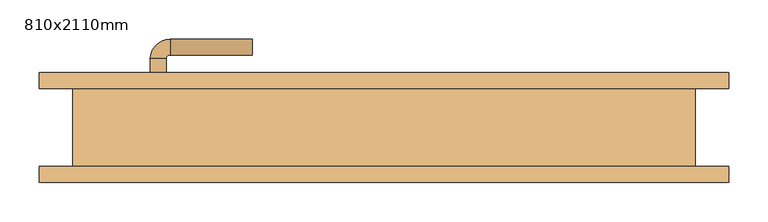
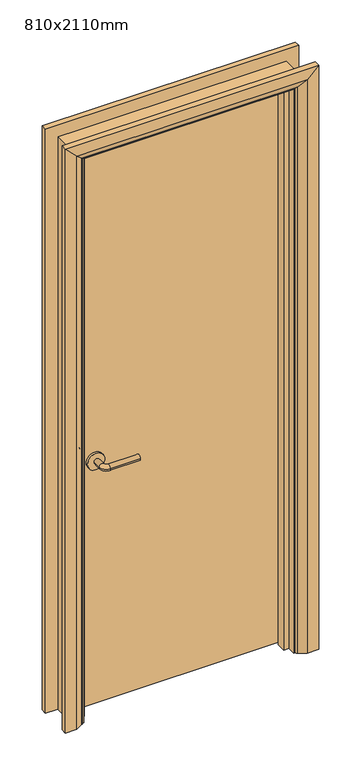
"""IFC4 building model written with IfcOpenShell, lengths in millimetres: door geometry, 810x2110mm."""

from ifc_helpers import new_model, si_unit, point, frame, frame_2d, origin, place, context, project, spatial, polyline, circle_curve, ellipse_curve, trimmed, segment, composite_curve, outline, extrude, faceted_brep, source, transform, mapped, element, save
from ifc_brep_helpers import plane_surface, cylinder_surface, revolved_surface, advanced_brep


def door_810x2110mm_2ff58b63(model_context):
    return source(origin(), model_context, "Body", "SolidModel", [
        advanced_brep(
        [(-298.0, 4.0, 900.0), (-278.0, 4.0, 900.0), (-278.0, -26.0, 900.0), (-298.0, -26.0, 900.0), (-273.0, -31.0, 900.0), (-273.0, -51.0, 900.0), (-168.0, -51.0, 900.0), (-168.0, -31.0, 900.0)],
        [
            (0, 1, circle_curve(frame((-288.0, 4.0, 900.0), z_axis=(0.0, 1.0, 0.0), x_axis=(1.0, 0.0, 0.0)), 10.0)),
            (1, 0, circle_curve(frame((-288.0, 4.0, 900.0), z_axis=(0.0, 1.0, 0.0), x_axis=(1.0, 0.0, 0.0)), 10.0)),
            (1, 2),
            (2, 3, circle_curve(frame((-288.0, -26.0, 900.0), z_axis=(0.0, 1.0, 0.0), x_axis=(1.0, 0.0, 0.0)), 10.0)),
            (3, 0),
            (3, 2, circle_curve(frame((-288.0, -26.0, 900.0), z_axis=(0.0, 1.0, 0.0), x_axis=(1.0, 0.0, 0.0)), 10.0)),
            (4, 5, circle_curve(frame((-273.0, -41.0, 900.0), z_axis=(-1.0, 0.0, 0.0), x_axis=(0.0, 1.0, 0.0)), 10.0)),
            (5, 3, circle_curve(frame((-273.0, -26.0, 900.0), z_axis=(0.0, 0.0, -1.0), x_axis=(-1.0, 0.0, 0.0)), 25.0)),
            (2, 4, circle_curve(frame((-273.0, -26.0, 900.0), z_axis=(0.0, 0.0, 1.0), x_axis=(-1.0, 0.0, 0.0)), 5.0)),
            (5, 4, circle_curve(frame((-273.0, -41.0, 900.0), z_axis=(-1.0, 0.0, 0.0), x_axis=(0.0, 1.0, 0.0)), 10.0)),
            (6, 7, circle_curve(frame((-168.0, -41.0, 900.0), z_axis=(1.0, 0.0, 0.0), x_axis=(0.0, 1.0, 0.0)), 10.0)),
            (7, 6, circle_curve(frame((-168.0, -41.0, 900.0), z_axis=(1.0, 0.0, 0.0), x_axis=(0.0, 1.0, 0.0)), 10.0)),
            (4, 7),
            (6, 5),
        ],
        [
            plane_surface(frame((-288.0, 4.0, 900.0), z_axis=(0.0, 1.0, 0.0), x_axis=(0.0, 0.0, 1.0))),
            cylinder_surface(frame((-288.0, 4.0, 900.0), z_axis=(0.0, 1.0, 0.0), x_axis=(1.0, 0.0, 0.0)), 10.0),
            revolved_surface(trimmed(ellipse_curve(frame((-288.0, -26.0, 900.0), z_axis=(0.0, -1.0, 0.0), x_axis=(1.0, 0.0, 0.0)), 10.0, 10.0), [point((-298.0, -26.0, 900.0))], [point((-278.0, -26.0, 900.0))], True, "CARTESIAN"), (-273.0, -26.0, 900.0), (0.0, 0.0, -1.0)),
            revolved_surface(trimmed(ellipse_curve(frame((-288.0, -26.0, 900.0), z_axis=(0.0, -1.0, 0.0), x_axis=(1.0, 0.0, 0.0)), 10.0, 10.0), [point((-278.0, -26.0, 900.0))], [point((-298.0, -26.0, 900.0))], True, "CARTESIAN"), (-273.0, -26.0, 900.0), (0.0, 0.0, -1.0)),
            plane_surface(frame((-168.0, -41.0, 900.0), z_axis=(1.0, 0.0, 0.0), x_axis=(0.0, 0.0, 1.0))),
            cylinder_surface(frame((-273.0, -41.0, 900.0), z_axis=(-1.0, 0.0, 0.0), x_axis=(0.0, 1.0, 0.0)), 10.0),
        ],
        [
            (0, [[1, 2]]),
            (1, [[3, 4, 5, -2]]),
            (1, [[-5, 6, -3, -1]]),
            (2, [[7, 8, -4, 9]]),
            (3, [[10, -9, -6, -8]]),
            (4, [[11, 12]]),
            (5, [[13, -11, 14, -7]]),
            (5, [[-14, -12, -13, -10]]),
        ],
    ),
        extrude(outline(composite_curve([segment(trimmed(circle_curve(frame_2d((900.0, -290.5)), 30.0), [point((900.0, -320.5))], [point((900.0, -260.5))], False, "CARTESIAN"), True, "CONTINUOUS"), segment(trimmed(circle_curve(frame_2d((900.0, -290.5)), 30.0), [point((900.0, -260.5))], [point((900.0, -320.5))], False, "CARTESIAN"), True, "CONTINUOUS")], self_intersect=False)), frame((0.0, 4.0, 0.0), z_axis=(0.0, 1.0, 0.0), x_axis=(0.0, 0.0, 1.0)), (0.0, 0.0, 1.0), 8.0),
        advanced_brep(
        [(-298.0, 58.0, 900.0), (-278.0, 58.0, 900.0), (-298.0, 88.0, 900.0), (-278.0, 88.0, 900.0), (-273.0, 93.0, 900.0), (-273.0, 113.0, 900.0), (-168.0, 113.0, 900.0), (-168.0, 93.0, 900.0)],
        [
            (0, 1, circle_curve(frame((-288.0, 58.0, 900.0), z_axis=(0.0, -1.0, 0.0), x_axis=(1.0, 0.0, 0.0)), 10.0)),
            (1, 0, circle_curve(frame((-288.0, 58.0, 900.0), z_axis=(0.0, -1.0, 0.0), x_axis=(1.0, 0.0, 0.0)), 10.0)),
            (0, 2),
            (2, 3, circle_curve(frame((-288.0, 88.0, 900.0), z_axis=(0.0, -1.0, 0.0), x_axis=(1.0, 0.0, 0.0)), 10.0)),
            (3, 1),
            (3, 2, circle_curve(frame((-288.0, 88.0, 900.0), z_axis=(0.0, -1.0, 0.0), x_axis=(1.0, 0.0, 0.0)), 10.0)),
            (4, 3, circle_curve(frame((-273.0, 88.0, 900.0), z_axis=(0.0, 0.0, 1.0), x_axis=(-1.0, 0.0, 0.0)), 5.0)),
            (2, 5, circle_curve(frame((-273.0, 88.0, 900.0), z_axis=(0.0, 0.0, -1.0), x_axis=(-1.0, 0.0, 0.0)), 25.0)),
            (5, 4, circle_curve(frame((-273.0, 103.0, 900.0), z_axis=(-1.0, 0.0, 0.0), x_axis=(0.0, -1.0, 0.0)), 10.0)),
            (4, 5, circle_curve(frame((-273.0, 103.0, 900.0), z_axis=(-1.0, 0.0, 0.0), x_axis=(0.0, -1.0, 0.0)), 10.0)),
            (6, 7, circle_curve(frame((-168.0, 103.0, 900.0), z_axis=(1.0, 0.0, 0.0), x_axis=(0.0, -1.0, 0.0)), 10.0)),
            (7, 6, circle_curve(frame((-168.0, 103.0, 900.0), z_axis=(1.0, 0.0, 0.0), x_axis=(0.0, -1.0, 0.0)), 10.0)),
            (5, 6),
            (7, 4),
        ],
        [
            plane_surface(frame((-288.0, 58.0, 900.0), z_axis=(0.0, -1.0, 0.0), x_axis=(0.0, 0.0, 1.0))),
            cylinder_surface(frame((-288.0, 58.0, 900.0), z_axis=(0.0, -1.0, 0.0), x_axis=(1.0, 0.0, 0.0)), 10.0),
            revolved_surface(trimmed(ellipse_curve(frame((-288.0, 88.0, 900.0), z_axis=(0.0, -1.0, 0.0), x_axis=(1.0, 0.0, 0.0)), 10.0, 10.0), [point((-298.0, 88.0, 900.0))], [point((-278.0, 88.0, 900.0))], True, "CARTESIAN"), (-273.0, 88.0, 900.0), (0.0, 0.0, -1.0)),
            revolved_surface(trimmed(ellipse_curve(frame((-288.0, 88.0, 900.0), z_axis=(0.0, -1.0, 0.0), x_axis=(1.0, 0.0, 0.0)), 10.0, 10.0), [point((-278.0, 88.0, 900.0))], [point((-298.0, 88.0, 900.0))], True, "CARTESIAN"), (-273.0, 88.0, 900.0), (0.0, 0.0, -1.0)),
            plane_surface(frame((-168.0, 103.0, 900.0), z_axis=(1.0, 0.0, 0.0), x_axis=(0.0, 0.0, 1.0))),
            cylinder_surface(frame((-273.0, 103.0, 900.0), z_axis=(-1.0, 0.0, 0.0), x_axis=(0.0, -1.0, 0.0)), 10.0),
        ],
        [
            (0, [[1, 2]]),
            (1, [[-1, 3, 4, 5]]),
            (1, [[-2, -5, 6, -3]]),
            (2, [[7, -4, 8, 9]]),
            (3, [[-8, -6, -7, 10]]),
            (4, [[11, 12]]),
            (5, [[-9, 13, -12, 14]]),
            (5, [[-10, -14, -11, -13]]),
        ],
    ),
        extrude(outline(composite_curve([segment(trimmed(circle_curve(frame_2d((900.0, -290.5)), 30.0), [point((900.0, -320.5))], [point((900.0, -260.5))], False, "CARTESIAN"), True, "CONTINUOUS"), segment(trimmed(circle_curve(frame_2d((900.0, -290.5)), 30.0), [point((900.0, -260.5))], [point((900.0, -320.5))], False, "CARTESIAN"), True, "CONTINUOUS")], self_intersect=False)), frame((0.0, 50.0, 0.0), z_axis=(0.0, 1.0, 0.0), x_axis=(0.0, 0.0, 1.0)), (0.0, 0.0, 1.0), 8.0),
        extrude(outline(polyline([(363.0, 12.0), (-363.0, 12.0), (-363.0, 50.0), (363.0, 50.0), (363.0, 12.0)])), frame((0.0, 0.0, 8.0), z_axis=(0.0, 0.0, 1.0), x_axis=(1.0, 0.0, 0.0)), (0.0, 0.0, 1.0), 2060.0),
        advanced_brep(
        [(440.0, 70.0, 0.0), (440.0, 50.0, 0.0), (370.0, 50.0, 0.0), (374.0, 56.0, 0.0), (400.0, 70.0, 0.0), (440.0, 70.0, 2145.0), (440.0, 50.0, 2145.0), (-440.0, 50.0, 2145.0), (-440.0, 50.0, 0.0), (-370.0, 50.0, 0.0), (-370.0, 50.0, 2075.0), (370.0, 50.0, 2075.0), (374.0, 56.0, 2079.0), (400.0, 70.0, 2105.0), (-400.0, 70.0, 2105.0), (-400.0, 70.0, 0.0), (-440.0, 70.0, 0.0), (-440.0, 70.0, 2145.0), (-374.0, 56.0, 2079.0), (-374.0, 56.0, 0.0)],
        [
            (0, 1),
            (1, 2),
            (2, 3, circle_curve(frame((378.0, 49.0, 0.0), z_axis=(0.0, 0.0, -1.0), x_axis=(1.0, 0.0, 0.0)), 8.0622577)),
            (3, 4),
            (4, 0),
            (0, 5),
            (5, 6),
            (6, 1),
            (6, 7),
            (7, 8),
            (8, 9),
            (9, 10),
            (10, 11),
            (11, 2),
            (11, 12, ellipse_curve(frame((378.0, 49.0, 2083.0), z_axis=(0.7071067811865475, 0.0, -0.7071067811865475), x_axis=(-0.7071067811865474, 0.0, -0.7071067811865476)), 11.4017543, 8.0622577)),
            (12, 3),
            (12, 13),
            (13, 4),
            (13, 14),
            (14, 15),
            (15, 16),
            (16, 17),
            (17, 5),
            (17, 7),
            (10, 18, ellipse_curve(frame((-378.0, 49.0, 2083.0), z_axis=(0.7071067811865475, 0.0, 0.7071067811865475), x_axis=(0.7071067811865476, 0.0, -0.7071067811865474)), 11.4017543, 8.0622577)),
            (18, 12),
            (18, 14),
            (15, 19),
            (19, 9, circle_curve(frame((-378.0, 49.0, 0.0), z_axis=(0.0, 0.0, -1.0), x_axis=(-1.0, 0.0, 0.0)), 8.0622577)),
            (8, 16),
            (19, 18),
        ],
        [
            plane_surface(frame((370.0, 50.0, 0.0), z_axis=(0.0, 0.0, -1.0), x_axis=(0.0, -1.0, 0.0))),
            plane_surface(frame((440.0, 70.0, 0.0), z_axis=(1.0, 0.0, 0.0), x_axis=(0.0, 0.0, 1.0))),
            plane_surface(frame((440.0, 50.0, 0.0), z_axis=(0.0, -1.0, 0.0), x_axis=(0.0, 0.0, 1.0))),
            cylinder_surface(frame((378.0, 49.0, 0.0), z_axis=(0.0, 0.0, -1.0), x_axis=(1.0, 0.0, 0.0)), 8.0622577),
            plane_surface(frame((374.0, 56.0, 0.0), z_axis=(-0.4740998230350126, 0.880471099922178, 0.0), x_axis=(0.0, 0.0, 1.0))),
            plane_surface(frame((400.0, 70.0, 0.0), z_axis=(0.0, 1.0, 0.0), x_axis=(0.0, 0.0, 1.0))),
            plane_surface(frame((440.0, 70.0, 2145.0), z_axis=(0.0, 0.0, 1.0), x_axis=(-1.0, 0.0, 0.0))),
            cylinder_surface(frame((370.0, 49.0, 2083.0), z_axis=(1.0, 0.0, 0.0), x_axis=(0.0, 0.0, 1.0)), 8.0622577),
            plane_surface(frame((374.0, 56.0, 2079.0), z_axis=(0.0, 0.8804710999221764, -0.4740998230350154), x_axis=(-1.0, 0.0, 0.0))),
            plane_surface(frame((-370.0, 50.0, 0.0), z_axis=(0.0, 0.0, -1.0), x_axis=(0.0, -1.0, 0.0))),
            plane_surface(frame((-440.0, 70.0, 2145.0), z_axis=(-1.0, 0.0, 0.0), x_axis=(0.0, 0.0, -1.0))),
            cylinder_surface(frame((-378.0, 49.0, 2075.0), z_axis=(0.0, 0.0, 1.0), x_axis=(-1.0, 0.0, 0.0)), 8.0622577),
            plane_surface(frame((-374.0, 56.0, 2079.0), z_axis=(0.47409982303501824, 0.8804710999221749, 0.0), x_axis=(0.0, 0.0, -1.0))),
        ],
        [
            (0, [[1, 2, 3, 4, 5]]),
            (1, [[-1, 6, 7, 8]]),
            (2, [[-2, -8, 9, 10, 11, 12, 13, 14]]),
            (3, [[-3, -14, 15, 16]]),
            (4, [[-4, -16, 17, 18]]),
            (5, [[-5, -18, 19, 20, 21, 22, 23, -6]]),
            (6, [[-7, -23, 24, -9]]),
            (7, [[-15, -13, 25, 26]]),
            (8, [[-17, -26, 27, -19]]),
            (9, [[-21, 28, 29, -11, 30]]),
            (10, [[-24, -22, -30, -10]]),
            (11, [[-25, -12, -29, 31]]),
            (12, [[-27, -31, -28, -20]]),
        ],
    ),
        extrude(outline(polyline([(0.0, -365.0), (0.0, -346.0), (2051.0, -346.0), (2051.0, 346.0), (0.0, 346.0), (0.0, 365.0), (2070.0, 365.0), (2070.0, -365.0), (0.0, -365.0)])), frame((0.0, -22.0, 0.0), z_axis=(0.0, 1.0, 0.0), x_axis=(0.0, 0.0, 1.0)), (0.0, 0.0, 1.0), 32.0),
        advanced_brep(
        [(-440.0, -70.0, 0.0), (-440.0, -50.0, 0.0), (-370.0, -50.0, 0.0), (-374.0, -56.0, 0.0), (-400.0, -70.0, 0.0), (-440.0, -70.0, 2145.0), (-440.0, -50.0, 2145.0), (-370.0, -50.0, 2075.0), (-374.0, -56.0, 2079.0), (-400.0, -70.0, 2105.0), (440.0, -70.0, 2145.0), (440.0, -50.0, 2145.0), (370.0, -50.0, 2075.0), (374.0, -56.0, 2079.0), (400.0, -70.0, 2105.0), (440.0, -70.0, 0.0), (400.0, -70.0, 0.0), (374.0, -56.0, 0.0), (370.0, -50.0, 0.0), (440.0, -50.0, 0.0)],
        [
            (0, 1),
            (1, 2),
            (2, 3, circle_curve(frame((-378.0, -49.0, 0.0), z_axis=(0.0, 0.0, -1.0), x_axis=(-1.0, 0.0, 0.0)), 8.0622577)),
            (3, 4),
            (4, 0),
            (0, 5),
            (5, 6),
            (6, 1),
            (6, 7),
            (7, 2),
            (7, 8, ellipse_curve(frame((-378.0, -49.0, 2083.0), z_axis=(-0.7071067811865475, 0.0, -0.7071067811865475), x_axis=(0.7071067811865474, 0.0, -0.7071067811865476)), 11.4017543, 8.0622577)),
            (8, 3),
            (8, 9),
            (9, 4),
            (9, 5),
            (5, 10),
            (10, 11),
            (11, 6),
            (11, 12),
            (12, 7),
            (12, 13, ellipse_curve(frame((378.0, -49.0, 2083.0), z_axis=(-0.7071067811865475, 0.0, 0.7071067811865475), x_axis=(-0.7071067811865476, 0.0, -0.7071067811865474)), 11.4017543, 8.0622577)),
            (13, 8),
            (13, 14),
            (14, 9),
            (14, 10),
            (15, 16),
            (16, 17),
            (17, 18, circle_curve(frame((378.0, -49.0, 0.0), z_axis=(0.0, 0.0, -1.0), x_axis=(1.0, 0.0, 0.0)), 8.0622577)),
            (18, 19),
            (19, 15),
            (10, 15),
            (19, 11),
            (18, 12),
            (17, 13),
            (16, 14),
        ],
        [
            plane_surface(frame((-370.0, -122.8010989, 0.0), z_axis=(0.0, 0.0, -1.0), x_axis=(1.0, 0.0, 0.0))),
            plane_surface(frame((-440.0, -70.0, 0.0), z_axis=(-1.0, 0.0, 0.0), x_axis=(0.0, 0.0, 1.0))),
            plane_surface(frame((-440.0, -50.0, 0.0), z_axis=(0.0, 1.0, 0.0), x_axis=(0.0, 0.0, 1.0))),
            cylinder_surface(frame((-378.0, -49.0, 0.0), z_axis=(0.0, 0.0, -1.0), x_axis=(-1.0, 0.0, 0.0)), 8.0622577),
            plane_surface(frame((-374.0, -56.0, 0.0), z_axis=(0.4740998230350183, -0.8804710999221749, 0.0), x_axis=(0.0, 0.0, 1.0))),
            plane_surface(frame((-400.0, -70.0, 0.0), z_axis=(0.0, -1.0, 0.0), x_axis=(0.0, 0.0, 1.0))),
            plane_surface(frame((-440.0, -70.0, 2145.0), z_axis=(0.0, 0.0, 1.0), x_axis=(1.0, 0.0, 0.0))),
            plane_surface(frame((-440.0, -50.0, 2145.0), z_axis=(0.0, 1.0, 0.0), x_axis=(1.0, 0.0, 0.0))),
            cylinder_surface(frame((-370.0, -49.0, 2083.0), z_axis=(-1.0, 0.0, 0.0), x_axis=(0.0, 0.0, 1.0)), 8.0622577),
            plane_surface(frame((-374.0, -56.0, 2079.0), z_axis=(0.0, -0.8804710999221749, -0.4740998230350183), x_axis=(1.0, 0.0, 0.0))),
            plane_surface(frame((-400.0, -70.0, 2105.0), z_axis=(0.0, -1.0, 0.0), x_axis=(1.0, 0.0, 0.0))),
            plane_surface(frame((370.0, -122.8010989, 0.0), z_axis=(0.0, 0.0, -1.0), x_axis=(-1.0, 0.0, 0.0))),
            plane_surface(frame((440.0, -70.0, 2145.0), z_axis=(1.0, 0.0, 0.0), x_axis=(0.0, 0.0, -1.0))),
            plane_surface(frame((440.0, -50.0, 2145.0), z_axis=(0.0, 1.0, 0.0), x_axis=(0.0, 0.0, -1.0))),
            cylinder_surface(frame((378.0, -49.0, 2075.0), z_axis=(0.0, 0.0, 1.0), x_axis=(1.0, 0.0, 0.0)), 8.0622577),
            plane_surface(frame((374.0, -56.0, 2079.0), z_axis=(-0.4740998230350183, -0.8804710999221749, 0.0), x_axis=(0.0, 0.0, -1.0))),
            plane_surface(frame((400.0, -70.0, 2105.0), z_axis=(0.0, -1.0, 0.0), x_axis=(0.0, 0.0, -1.0))),
        ],
        [
            (0, [[1, 2, 3, 4, 5]]),
            (1, [[-1, 6, 7, 8]]),
            (2, [[-2, -8, 9, 10]]),
            (3, [[-3, -10, 11, 12]]),
            (4, [[-4, -12, 13, 14]]),
            (5, [[-5, -14, 15, -6]]),
            (6, [[-7, 16, 17, 18]]),
            (7, [[-9, -18, 19, 20]]),
            (8, [[-11, -20, 21, 22]]),
            (9, [[-13, -22, 23, 24]]),
            (10, [[-15, -24, 25, -16]]),
            (11, [[26, 27, 28, 29, 30]]),
            (12, [[-17, 31, -30, 32]]),
            (13, [[-19, -32, -29, 33]]),
            (14, [[-21, -33, -28, 34]]),
            (15, [[-23, -34, -27, 35]]),
            (16, [[-25, -35, -26, -31]]),
        ],
    ),
        faceted_brep([(-365.0, 50.0, 0.0), (-365.0, -50.0, 0.0), (-397.0, -50.0, 0.0), (-397.0, 50.0, 0.0), (-365.0, 50.0, 2070.0), (-365.0, -50.0, 2070.0), (-397.0, -50.0, 2102.0), (-397.0, 50.0, 2102.0), (365.0, 50.0, 2070.0), (365.0, -50.0, 2070.0), (397.0, -50.0, 2102.0), (397.0, 50.0, 2102.0), (365.0, 50.0, 0.0), (397.0, 50.0, 0.0), (397.0, -50.0, 0.0), (365.0, -50.0, 0.0)], [[[0, 1, 2, 3]], [[1, 0, 4, 5]], [[2, 1, 5, 6]], [[3, 2, 6, 7]], [[0, 3, 7, 4]], [[5, 4, 8, 9]], [[6, 5, 9, 10]], [[7, 6, 10, 11]], [[4, 7, 11, 8]], [[12, 13, 14, 15]], [[9, 8, 12, 15]], [[10, 9, 15, 14]], [[11, 10, 14, 13]], [[8, 11, 13, 12]]]),
    ])


if __name__ == "__main__":
    model = new_model("IFC4")
    model_context = context("Model", 3, world=origin())
    ifc_project = project(units=[si_unit("LENGTHUNIT", "METRE", prefix="MILLI")], contexts=[model_context])
    site = spatial("IfcSite", under=ifc_project)
    building = spatial("IfcBuilding", under=site)
    placement = place(None, origin())
    door_810x2110mm_shape = door_810x2110mm_2ff58b63(model_context)
    element("IfcDoor", 1, ObjectType="810x2110mm", at=placement, inside=building, context=model_context, shape_type="MappedRepresentation", body=[
        mapped(door_810x2110mm_shape, transform((0.0, 0.0, 0.0), x_axis=(1.0, 0.0, 0.0), y_axis=(0.0, 1.0, 0.0), z_axis=(0.0, 0.0, 1.0))),
    ])
    save(model, "model.ifc")
